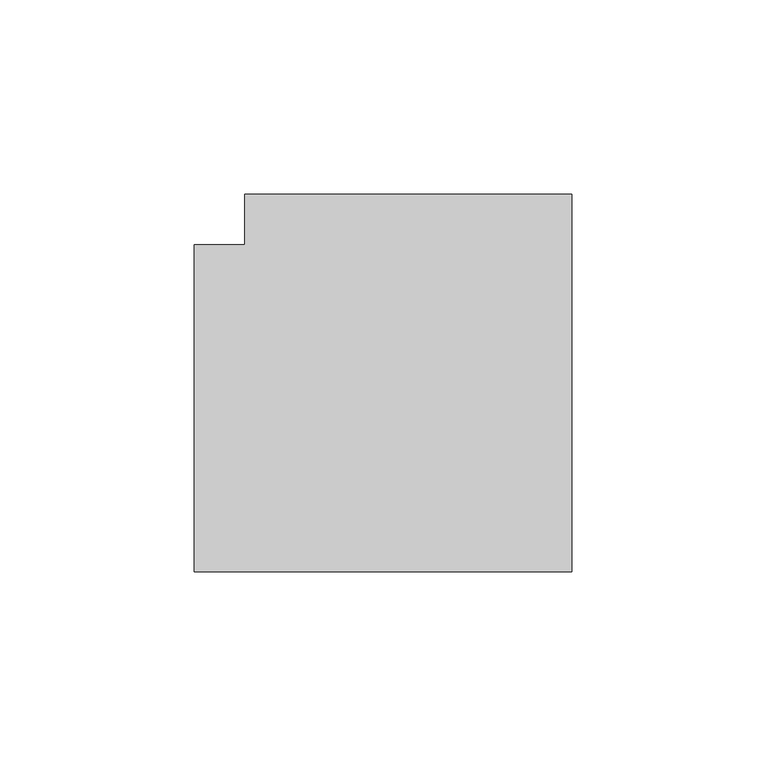
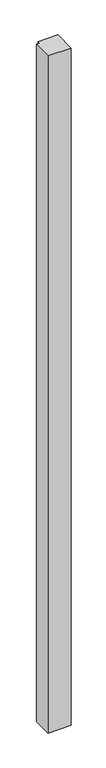
"""IFC4 building model written with IfcOpenShell, lengths in millimetres: member geometry."""

import ifcopenshell
import ifcopenshell.guid

model = None  # the IFC model being written
_history = None  # IfcOwnerHistory: only IFC2X3 demands one
_inside = {}  # id of a spatial element -> (the spatial element, [elements in it])
_under = {}  # id of a project, library or spatial element -> (it, [spatial elements below it])
_declared = {}  # id of a project -> (the project, [libraries it declares])
_typed = {}  # id of a type object -> (the type object, [elements of that type])
_made_of = {}  # id of a material, layer set ... -> (it, [elements and type objects made of it])


def new_model(schema):
    """Start an empty IFC model of exactly this schema.

    Asked for "IFC4X3", IfcOpenShell would pick the latest addendum, in which some entities
    have other attributes; the version numbers below select the first issue.
    IFC2X3 requires an IfcOwnerHistory on every rooted entity: one is made here for all.
    """
    global model, _history
    if schema == "IFC4X3":
        model = ifcopenshell.file(schema_version=(4, 3, 0, 0))
    else:
        model = ifcopenshell.file(schema=schema)
    _inside.clear()
    _under.clear()
    _declared.clear()
    _typed.clear()
    _made_of.clear()
    _history = None
    if model.schema == "IFC2X3":
        org = make("IfcOrganization", Name="unknown")
        user = make(
            "IfcPersonAndOrganization",
            ThePerson=make("IfcPerson", FamilyName="unknown"),
            TheOrganization=org,
        )
        app = make(
            "IfcApplication",
            ApplicationDeveloper=org,
            Version="unknown",
            ApplicationFullName="unknown",
            ApplicationIdentifier="unknown",
        )
        _history = make(
            "IfcOwnerHistory",
            OwningUser=user,
            OwningApplication=app,
            ChangeAction="ADDED",
            CreationDate=0,
        )
    return model


def make(cls, **values):
    """One entity of the class cls with the attributes given. An attribute that is None is left unset."""
    return model.create_entity(
        cls, **{name: value for name, value in values.items() if value is not None}
    )


def rooted(cls, **values):
    """An entity with a GlobalId (a new one), such as an element, a storey or a relation."""
    return make(cls, GlobalId=ifcopenshell.guid.new(), OwnerHistory=_history, **values)


def si_unit(unit_type, name, prefix=None):
    """IfcSIUnit, for example si_unit("LENGTHUNIT", "METRE", prefix="MILLI")."""
    return make("IfcSIUnit", UnitType=unit_type, Prefix=prefix, Name=name)


def assignment(units):
    """IfcUnitAssignment: the units of a project."""
    return None if units is None else make("IfcUnitAssignment", Units=units)


def point(xyz):
    """IfcCartesianPoint."""
    return None if xyz is None else make("IfcCartesianPoint", Coordinates=xyz)


def direction(xyz):
    """IfcDirection."""
    return None if xyz is None else make("IfcDirection", DirectionRatios=xyz)


def frame(location, z_axis=None, x_axis=None):
    """IfcAxis2Placement3D, a coordinate frame: its origin and axes. An axis left out is left unset."""
    return make(
        "IfcAxis2Placement3D",
        Location=point(location),
        Axis=direction(z_axis),
        RefDirection=direction(x_axis),
    )


def origin():
    """The frame at (0, 0, 0) with its axes left unset."""
    return frame((0.0, 0.0, 0.0))


def place(relative_to, where):
    """IfcLocalPlacement: puts the frame where relative to a parent placement (None: the world)."""
    return make(
        "IfcLocalPlacement", PlacementRelTo=relative_to, RelativePlacement=where
    )


def context(
    kind, dimensions, precision=None, world=None, true_north=None, identifier=None
):
    """IfcGeometricRepresentationContext, for example the 3D "Model" context."""
    return make(
        "IfcGeometricRepresentationContext",
        ContextIdentifier=identifier,
        ContextType=kind,
        CoordinateSpaceDimension=dimensions,
        Precision=precision,
        WorldCoordinateSystem=world,
        TrueNorth=true_north,
    )


def project(units=None, contexts=None):
    """IfcProject with its units and contexts."""
    return rooted(
        "IfcProject",
        Name="project",
        RepresentationContexts=contexts,
        UnitsInContext=assignment(units),
    )


def spatial(cls, under=None, at=None, **own):
    """A site, building, storey or space (cls), placed at a placement, below another one or the project."""
    s = rooted(cls, ObjectPlacement=at, **own)
    if under is not None:
        _under.setdefault(under.id(), (under, []))[1].append(s)
    return s


def polyline(points):
    """IfcPolyline through the points."""
    return make("IfcPolyline", Points=[point(p) for p in points])


def outline(outer, holes=None, kind="AREA"):
    """IfcArbitraryClosedProfileDef: a profile drawn as a closed curve; with holes, ...WithVoids."""
    if holes is None:
        return make("IfcArbitraryClosedProfileDef", ProfileType=kind, OuterCurve=outer)
    return make(
        "IfcArbitraryProfileDefWithVoids",
        ProfileType=kind,
        OuterCurve=outer,
        InnerCurves=holes,
    )


def extrude(swept, where, along, depth):
    """IfcExtrudedAreaSolid: the profile swept, set in the frame where, extruded along a direction by depth."""
    return make(
        "IfcExtrudedAreaSolid",
        SweptArea=swept,
        Position=where,
        ExtrudedDirection=direction(along),
        Depth=depth,
    )


def shape(context_of_items, identifier, shape_type, items):
    """IfcShapeRepresentation: the items that make up one representation, for example the "Body"."""
    return make(
        "IfcShapeRepresentation",
        ContextOfItems=context_of_items,
        RepresentationIdentifier=identifier,
        RepresentationType=shape_type,
        Items=items,
    )


def source(mapping_origin, context_of_items, identifier, shape_type, items):
    """IfcRepresentationMap: a shape defined once, which mapped items show again and again."""
    return make(
        "IfcRepresentationMap",
        MappingOrigin=mapping_origin,
        MappedRepresentation=shape(context_of_items, identifier, shape_type, items),
    )


def transform(
    local_origin,
    x_axis=None,
    y_axis=None,
    z_axis=None,
    scale=None,
    scale2=None,
    scale3=None,
    uniform=True,
):
    """IfcCartesianTransformationOperator3D, or its non-uniform kind. x_axis, y_axis, z_axis: its Axis1, 2, 3."""
    if uniform:
        return make(
            "IfcCartesianTransformationOperator3D",
            Axis1=direction(x_axis),
            Axis2=direction(y_axis),
            LocalOrigin=point(local_origin),
            Scale=scale,
            Axis3=direction(z_axis),
        )
    return make(
        "IfcCartesianTransformationOperator3DnonUniform",
        Axis1=direction(x_axis),
        Axis2=direction(y_axis),
        LocalOrigin=point(local_origin),
        Scale=scale,
        Axis3=direction(z_axis),
        Scale2=scale2,
        Scale3=scale3,
    )


def mapped(mapping_source, mapping_target):
    """IfcMappedItem: shows the shape of a source again, moved by a transform."""
    return make(
        "IfcMappedItem", MappingSource=mapping_source, MappingTarget=mapping_target
    )


def made_of(thing, what):
    """Note that an element or type object is made of a material, layer set ...; save() writes the relation."""
    if what is not None:
        _made_of.setdefault(what.id(), (what, []))[1].append(thing)
    return thing


def element(
    cls,
    number,
    at=None,
    inside=None,
    cuts=None,
    type_object=None,
    material=None,
    context=None,
    identifier="Body",
    shape_type=None,
    held_by="IfcProductDefinitionShape",
    body=None,
    shapes=None,
    **own,
):
    """One element of the class cls, such as IfcWall. Its Tag is "e" and its number.

    at: its placement. inside: the storey or other place that contains it. cuts: it is an
    opening in that element (IfcRelVoidsElement). A single representation is given by context,
    identifier, shape_type and body (its items); several are given by shapes. held_by: the class
    of the entity that holds the representations. save() writes the other relations.
    """
    e = rooted(cls, Tag="e%d" % number, ObjectPlacement=at, **own)
    if body is not None:
        shapes = [shape(context, identifier, shape_type, body)]
    if shapes is not None:
        e.Representation = make(held_by, Representations=shapes)
    if inside is not None:
        _inside.setdefault(inside.id(), (inside, []))[1].append(e)
    if cuts is not None:
        rooted(
            "IfcRelVoidsElement", RelatingBuildingElement=cuts, RelatedOpeningElement=e
        )
    if type_object is not None:
        _typed.setdefault(type_object.id(), (type_object, []))[1].append(e)
    return made_of(e, material)


def aggregate(whole, parts):
    """IfcRelAggregates: a whole, such as a stair, and the parts it consists of."""
    return rooted("IfcRelAggregates", RelatingObject=whole, RelatedObjects=parts)


def save(model, path):
    """Write the relations noted so far, then the file.

    IfcRelAggregates (storeys below a building ...), IfcRelContainedInSpatialStructure (elements
    in a storey), IfcRelDefinesByType, IfcRelAssociatesMaterial and IfcRelDeclares: one each for
    every whole, place, type object, material and project.
    """
    for whole, parts in _under.values():
        aggregate(whole, parts)
    for where, things in _inside.values():
        rooted(
            "IfcRelContainedInSpatialStructure",
            RelatedElements=things,
            RelatingStructure=where,
        )
    for kind, things in _typed.values():
        rooted("IfcRelDefinesByType", RelatedObjects=things, RelatingType=kind)
    for what, things in _made_of.values():
        rooted("IfcRelAssociatesMaterial", RelatedObjects=things, RelatingMaterial=what)
    for by, libraries in _declared.values():
        rooted("IfcRelDeclares", RelatingContext=by, RelatedDefinitions=libraries)
    model.write(path)


def member_a1f8e069(model_context):
    return source(origin(), model_context, "Body", "SweptSolid", [
        extrude(outline(polyline([(42.0, 55.0), (42.0, -42.0), (-55.0, -42.0), (-55.0, 42.0), (-42.0, 42.0), (-42.0, 55.0), (42.0, 55.0)])), frame((0.0, 0.0, -3000.0), z_axis=(0.0, 0.0, 1.0), x_axis=(1.0, 0.0, 0.0)), (0.0, 0.0, 1.0), 3000.0),
    ])


if __name__ == "__main__":
    model = new_model("IFC4")
    model_context = context("Model", 3, world=origin())
    ifc_project = project(units=[si_unit("LENGTHUNIT", "METRE", prefix="MILLI")], contexts=[model_context])
    site = spatial("IfcSite", under=ifc_project)
    building = spatial("IfcBuilding", under=site)
    placement = place(None, origin())
    member_shape = member_a1f8e069(model_context)
    element("IfcMember", 1, at=placement, inside=building, context=model_context, shape_type="MappedRepresentation", body=[
        mapped(member_shape, transform((0.0, 0.0, 0.0), x_axis=(1.0, 0.0, 0.0), y_axis=(0.0, 1.0, 0.0), z_axis=(0.0, 0.0, 1.0))),
    ])
    save(model, "model.ifc")
